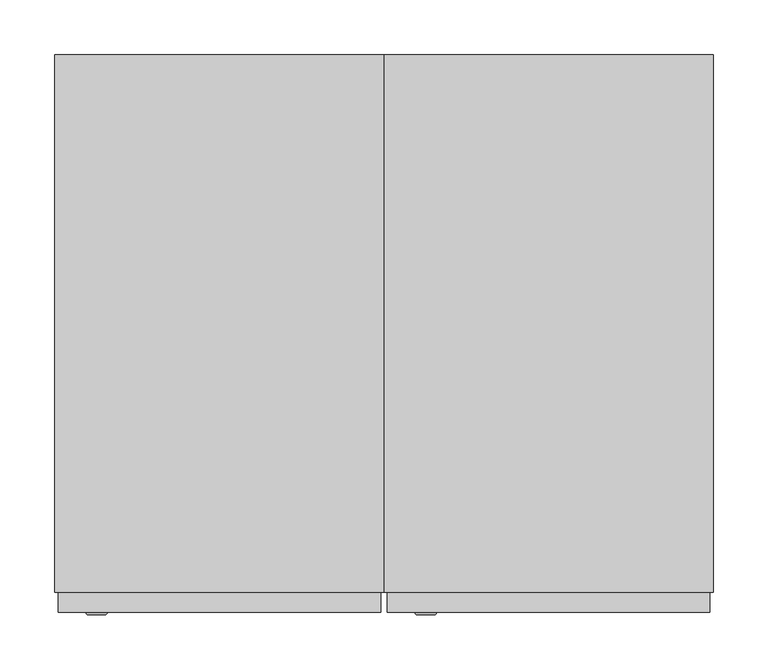
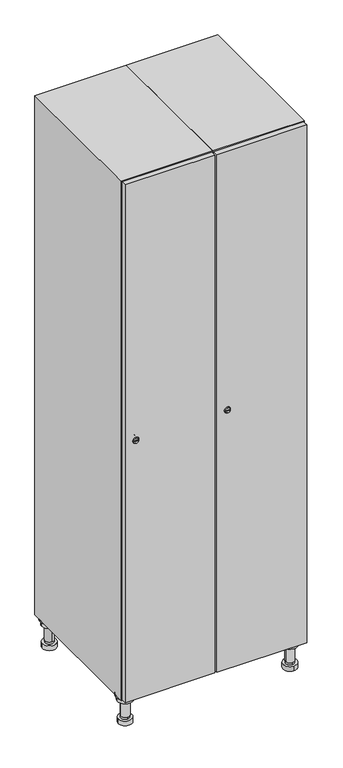
"""IFC4 building model written with IfcOpenShell, lengths in millimetres: furniture geometry."""

from ifc_helpers import new_model, si_unit, point, frame, frame_2d, origin, place, context, project, spatial, polyline, circle_curve, trimmed, segment, composite_curve, outline, extrude, faceted_brep, source, transform, mapped, element, save
from ifc_brep_helpers import plane_surface, cylinder_surface, revolved_surface, advanced_brep


def furniture_9fd17e18(model_context):
    return source(origin(), model_context, "Body", "SolidModel", [
        advanced_brep(
        [(370.0, -201.0, 22.0), (370.0, -201.5, 16.0), (370.0, -228.5, 16.0), (370.0, -229.0, 22.0), (356.0, -215.0, 22.0), (384.0, -215.0, 22.0), (370.0, -192.5, 16.0), (370.0, -237.5, 16.0), (370.0, -192.5, 0.0), (370.0, -237.5, 0.0), (384.0, -215.0, 78.0), (356.0, -215.0, 78.0), (395.0, -215.0, 78.0), (345.0, -215.0, 78.0), (400.0, -215.0, 94.0), (340.0, -215.0, 94.0), (345.0, -215.0, 94.0), (395.0, -215.0, 94.0), (400.0, -215.0, 100.0), (340.0, -215.0, 100.0)],
        [
            (0, 1),
            (1, 2, circle_curve(frame((370.0, -215.0, 16.0), z_axis=(0.0, 0.0, 1.0), x_axis=(0.0, -1.0, 0.0)), 13.5)),
            (2, 3),
            (3, 4, circle_curve(frame((370.0, -215.0, 22.0), z_axis=(0.0, 0.0, -1.0), x_axis=(0.0, -1.0, 0.0)), 14.0)),
            (4, 0, circle_curve(frame((370.0, -215.0, 22.0), z_axis=(0.0, 0.0, -1.0), x_axis=(0.0, -1.0, 0.0)), 14.0)),
            (0, 5, circle_curve(frame((370.0, -215.0, 22.0), z_axis=(0.0, 0.0, -1.0), x_axis=(0.0, 1.0, 0.0)), 14.0)),
            (5, 3, circle_curve(frame((370.0, -215.0, 22.0), z_axis=(0.0, 0.0, -1.0), x_axis=(0.0, 1.0, 0.0)), 14.0)),
            (2, 1, circle_curve(frame((370.0, -215.0, 16.0), z_axis=(0.0, 0.0, 1.0), x_axis=(0.0, 1.0, 0.0)), 13.5)),
            (6, 7, circle_curve(frame((370.0, -215.0, 16.0), z_axis=(0.0, 0.0, 1.0), x_axis=(0.0, -1.0, 0.0)), 22.5)),
            (7, 6, circle_curve(frame((370.0, -215.0, 16.0), z_axis=(0.0, 0.0, 1.0), x_axis=(0.0, -1.0, 0.0)), 22.5)),
            (8, 9, circle_curve(frame((370.0, -215.0, 0.0), z_axis=(0.0, 0.0, -1.0), x_axis=(0.0, -1.0, 0.0)), 22.5)),
            (9, 8, circle_curve(frame((370.0, -215.0, 0.0), z_axis=(0.0, 0.0, -1.0), x_axis=(0.0, -1.0, 0.0)), 22.5)),
            (6, 8),
            (9, 7),
            (5, 10),
            (10, 11, circle_curve(frame((370.0, -215.0, 78.0), z_axis=(0.0, 0.0, -1.0), x_axis=(-1.0, 0.0, 0.0)), 14.0)),
            (11, 4),
            (11, 10, circle_curve(frame((370.0, -215.0, 78.0), z_axis=(0.0, 0.0, -1.0), x_axis=(-1.0, 0.0, 0.0)), 14.0)),
            (12, 13, circle_curve(frame((370.0, -215.0, 78.0), z_axis=(0.0, 0.0, -1.0), x_axis=(-1.0, 0.0, 0.0)), 25.0)),
            (13, 12, circle_curve(frame((370.0, -215.0, 78.0), z_axis=(0.0, 0.0, -1.0), x_axis=(-1.0, 0.0, 0.0)), 25.0)),
            (14, 15, circle_curve(frame((370.0, -215.0, 94.0), z_axis=(0.0, 0.0, -1.0), x_axis=(-1.0, 0.0, 0.0)), 30.0)),
            (15, 14, circle_curve(frame((370.0, -215.0, 94.0), z_axis=(0.0, 0.0, -1.0), x_axis=(-1.0, 0.0, 0.0)), 30.0)),
            (16, 17, circle_curve(frame((370.0, -215.0, 94.0), z_axis=(0.0, 0.0, 1.0), x_axis=(-1.0, 0.0, 0.0)), 25.0)),
            (17, 16, circle_curve(frame((370.0, -215.0, 94.0), z_axis=(0.0, 0.0, 1.0), x_axis=(-1.0, 0.0, 0.0)), 25.0)),
            (18, 19, circle_curve(frame((370.0, -215.0, 100.0), z_axis=(0.0, 0.0, 1.0), x_axis=(-1.0, 0.0, 0.0)), 30.0)),
            (19, 18, circle_curve(frame((370.0, -215.0, 100.0), z_axis=(0.0, 0.0, 1.0), x_axis=(-1.0, 0.0, 0.0)), 30.0)),
            (14, 18),
            (19, 15),
            (12, 17),
            (16, 13),
        ],
        [
            revolved_surface(polyline([(370.0, -201.5, 16.0), (370.0, -201.0, 22.0)]), (370.0, -215.0, -146.0), (0.0, 0.0, 1.0)),
            plane_surface(frame((370.0, 0.0, 16.0), z_axis=(0.0, 0.0, 1.0), x_axis=(0.0, -1.0, 0.0))),
            plane_surface(frame((370.0, 0.0, 0.0), z_axis=(0.0, 0.0, -1.0), x_axis=(0.0, -1.0, 0.0))),
            cylinder_surface(frame((370.0, -215.0, 16.0), z_axis=(0.0, 0.0, 1.0), x_axis=(0.0, -1.0, 0.0)), 22.5),
            cylinder_surface(frame((370.0, -215.0, 22.0), z_axis=(0.0, 0.0, -1.0), x_axis=(-1.0, 0.0, 0.0)), 14.0),
            plane_surface(frame((370.0, 0.0, 78.0), z_axis=(0.0, 0.0, -1.0), x_axis=(0.0, -1.0, 0.0))),
            plane_surface(frame((370.0, 0.0, 94.0), z_axis=(0.0, 0.0, -1.0), x_axis=(0.0, -1.0, 0.0))),
            plane_surface(frame((370.0, 0.0, 100.0), z_axis=(0.0, 0.0, 1.0), x_axis=(0.0, -1.0, 0.0))),
            cylinder_surface(frame((370.0, -215.0, 94.0), z_axis=(0.0, 0.0, -1.0), x_axis=(-1.0, 0.0, 0.0)), 30.0),
            cylinder_surface(frame((370.0, -215.0, 78.0), z_axis=(0.0, 0.0, -1.0), x_axis=(-1.0, 0.0, 0.0)), 25.0),
        ],
        [
            (0, [[1, 2, 3, 4, 5]]),
            (0, [[-1, 6, 7, -3, 8]]),
            (1, [[9, 10], [-2, -8]]),
            (2, [[11, 12]]),
            (3, [[-9, 13, -12, 14]]),
            (3, [[-10, -14, -11, -13]]),
            (4, [[15, 16, 17, -4, -7]]),
            (4, [[-15, -6, -5, -17, 18]]),
            (5, [[19, 20], [-16, -18]]),
            (6, [[21, 22], [23, 24]]),
            (7, [[25, 26]]),
            (8, [[-21, 27, -26, 28]]),
            (8, [[-22, -28, -25, -27]]),
            (9, [[-19, 29, -23, 30]]),
            (9, [[-20, -30, -24, -29]]),
        ],
    ),
        advanced_brep(
        [(-170.0, -201.0, 22.0), (-170.0, -201.5, 16.0), (-170.0, -228.5, 16.0), (-170.0, -229.0, 22.0), (-184.0, -215.0, 22.0), (-156.0, -215.0, 22.0), (-147.5, -215.0, 0.0), (-192.5, -215.0, 0.0), (-147.5, -215.0, 16.0), (-192.5, -215.0, 16.0), (-156.0, -215.0, 78.0), (-184.0, -215.0, 78.0), (-145.0, -215.0, 78.0), (-195.0, -215.0, 78.0), (-140.0, -215.0, 94.0), (-200.0, -215.0, 94.0), (-195.0, -215.0, 94.0), (-145.0, -215.0, 94.0), (-140.0, -215.0, 100.0), (-200.0, -215.0, 100.0)],
        [
            (0, 1),
            (1, 2, circle_curve(frame((-170.0, -215.0, 16.0), z_axis=(0.0, 0.0, 1.0), x_axis=(0.0, -1.0, 0.0)), 13.5)),
            (2, 3),
            (3, 4, circle_curve(frame((-170.0, -215.0, 22.0), z_axis=(0.0, 0.0, -1.0), x_axis=(0.0, -1.0, 0.0)), 14.0)),
            (4, 0, circle_curve(frame((-170.0, -215.0, 22.0), z_axis=(0.0, 0.0, -1.0), x_axis=(0.0, -1.0, 0.0)), 14.0)),
            (0, 5, circle_curve(frame((-170.0, -215.0, 22.0), z_axis=(0.0, 0.0, -1.0), x_axis=(0.0, 1.0, 0.0)), 14.0)),
            (5, 3, circle_curve(frame((-170.0, -215.0, 22.0), z_axis=(0.0, 0.0, -1.0), x_axis=(0.0, 1.0, 0.0)), 14.0)),
            (2, 1, circle_curve(frame((-170.0, -215.0, 16.0), z_axis=(0.0, 0.0, 1.0), x_axis=(0.0, 1.0, 0.0)), 13.5)),
            (6, 7, circle_curve(frame((-170.0, -215.0, 0.0), z_axis=(0.0, 0.0, -1.0), x_axis=(-1.0, 0.0, 0.0)), 22.5)),
            (7, 6, circle_curve(frame((-170.0, -215.0, 0.0), z_axis=(0.0, 0.0, -1.0), x_axis=(-1.0, 0.0, 0.0)), 22.5)),
            (8, 9, circle_curve(frame((-170.0, -215.0, 16.0), z_axis=(0.0, 0.0, 1.0), x_axis=(-1.0, 0.0, 0.0)), 22.5)),
            (9, 8, circle_curve(frame((-170.0, -215.0, 16.0), z_axis=(0.0, 0.0, 1.0), x_axis=(-1.0, 0.0, 0.0)), 22.5)),
            (6, 8),
            (9, 7),
            (5, 10),
            (10, 11, circle_curve(frame((-170.0, -215.0, 78.0), z_axis=(0.0, 0.0, -1.0), x_axis=(-1.0, 0.0, 0.0)), 14.0)),
            (11, 4),
            (11, 10, circle_curve(frame((-170.0, -215.0, 78.0), z_axis=(0.0, 0.0, -1.0), x_axis=(-1.0, 0.0, 0.0)), 14.0)),
            (12, 13, circle_curve(frame((-170.0, -215.0, 78.0), z_axis=(0.0, 0.0, -1.0), x_axis=(-1.0, 0.0, 0.0)), 25.0)),
            (13, 12, circle_curve(frame((-170.0, -215.0, 78.0), z_axis=(0.0, 0.0, -1.0), x_axis=(-1.0, 0.0, 0.0)), 25.0)),
            (14, 15, circle_curve(frame((-170.0, -215.0, 94.0), z_axis=(0.0, 0.0, -1.0), x_axis=(-1.0, 0.0, 0.0)), 30.0)),
            (15, 14, circle_curve(frame((-170.0, -215.0, 94.0), z_axis=(0.0, 0.0, -1.0), x_axis=(-1.0, 0.0, 0.0)), 30.0)),
            (16, 17, circle_curve(frame((-170.0, -215.0, 94.0), z_axis=(0.0, 0.0, 1.0), x_axis=(-1.0, 0.0, 0.0)), 25.0)),
            (17, 16, circle_curve(frame((-170.0, -215.0, 94.0), z_axis=(0.0, 0.0, 1.0), x_axis=(-1.0, 0.0, 0.0)), 25.0)),
            (18, 19, circle_curve(frame((-170.0, -215.0, 100.0), z_axis=(0.0, 0.0, 1.0), x_axis=(-1.0, 0.0, 0.0)), 30.0)),
            (19, 18, circle_curve(frame((-170.0, -215.0, 100.0), z_axis=(0.0, 0.0, 1.0), x_axis=(-1.0, 0.0, 0.0)), 30.0)),
            (14, 18),
            (19, 15),
            (12, 17),
            (16, 13),
        ],
        [
            revolved_surface(polyline([(-170.0, -201.5, 16.0), (-170.0, -201.0, 22.0)]), (-170.0, -215.0, -146.0), (0.0, 0.0, 1.0)),
            plane_surface(frame((-170.0, 0.0, 0.0), z_axis=(0.0, 0.0, -1.0), x_axis=(0.0, -1.0, 0.0))),
            plane_surface(frame((-170.0, 0.0, 16.0), z_axis=(0.0, 0.0, 1.0), x_axis=(0.0, -1.0, 0.0))),
            cylinder_surface(frame((-170.0, -215.0, 0.0), z_axis=(0.0, 0.0, -1.0), x_axis=(-1.0, 0.0, 0.0)), 22.5),
            cylinder_surface(frame((-170.0, -215.0, 22.0), z_axis=(0.0, 0.0, -1.0), x_axis=(-1.0, 0.0, 0.0)), 14.0),
            plane_surface(frame((-170.0, 0.0, 78.0), z_axis=(0.0, 0.0, -1.0), x_axis=(0.0, -1.0, 0.0))),
            plane_surface(frame((-170.0, 0.0, 94.0), z_axis=(0.0, 0.0, -1.0), x_axis=(0.0, -1.0, 0.0))),
            plane_surface(frame((-170.0, 0.0, 100.0), z_axis=(0.0, 0.0, 1.0), x_axis=(0.0, -1.0, 0.0))),
            cylinder_surface(frame((-170.0, -215.0, 94.0), z_axis=(0.0, 0.0, -1.0), x_axis=(-1.0, 0.0, 0.0)), 30.0),
            cylinder_surface(frame((-170.0, -215.0, 78.0), z_axis=(0.0, 0.0, -1.0), x_axis=(-1.0, 0.0, 0.0)), 25.0),
        ],
        [
            (0, [[1, 2, 3, 4, 5]]),
            (0, [[-1, 6, 7, -3, 8]]),
            (1, [[9, 10]]),
            (2, [[11, 12], [-2, -8]]),
            (3, [[-9, 13, -12, 14]]),
            (3, [[-10, -14, -11, -13]]),
            (4, [[15, 16, 17, -4, -7]]),
            (4, [[-15, -6, -5, -17, 18]]),
            (5, [[19, 20], [-16, -18]]),
            (6, [[21, 22], [23, 24]]),
            (7, [[25, 26]]),
            (8, [[-21, 27, -26, 28]]),
            (8, [[-22, -28, -25, -27]]),
            (9, [[-19, 29, -23, 30]]),
            (9, [[-20, -30, -24, -29]]),
        ],
    ),
        advanced_brep(
        [(383.5, 215.0, 16.0), (384.0, 215.0, 22.0), (356.0, 215.0, 22.0), (356.5, 215.0, 16.0), (392.5, 215.0, 0.0), (347.5, 215.0, 0.0), (392.5, 215.0, 16.0), (347.5, 215.0, 16.0), (384.0, 215.0, 78.0), (356.0, 215.0, 78.0), (395.0, 215.0, 78.0), (345.0, 215.0, 78.0), (400.0, 215.0, 94.0), (340.0, 215.0, 94.0), (345.0, 215.0, 94.0), (395.0, 215.0, 94.0), (400.0, 215.0, 100.0), (340.0, 215.0, 100.0)],
        [
            (0, 1),
            (1, 2, circle_curve(frame((370.0, 215.0, 22.0), z_axis=(0.0, 0.0, -1.0), x_axis=(-1.0, 0.0, 0.0)), 14.0)),
            (2, 3),
            (3, 0, circle_curve(frame((370.0, 215.0, 16.0), z_axis=(0.0, 0.0, 1.0), x_axis=(-1.0, 0.0, 0.0)), 13.5)),
            (0, 3, circle_curve(frame((370.0, 215.0, 16.0), z_axis=(0.0, 0.0, 1.0), x_axis=(1.0, 0.0, 0.0)), 13.5)),
            (2, 1, circle_curve(frame((370.0, 215.0, 22.0), z_axis=(0.0, 0.0, -1.0), x_axis=(1.0, 0.0, 0.0)), 14.0)),
            (4, 5, circle_curve(frame((370.0, 215.0, 0.0), z_axis=(0.0, 0.0, -1.0), x_axis=(-1.0, 0.0, 0.0)), 22.5)),
            (5, 4, circle_curve(frame((370.0, 215.0, 0.0), z_axis=(0.0, 0.0, -1.0), x_axis=(-1.0, 0.0, 0.0)), 22.5)),
            (6, 7, circle_curve(frame((370.0, 215.0, 16.0), z_axis=(0.0, 0.0, 1.0), x_axis=(-1.0, 0.0, 0.0)), 22.5)),
            (7, 6, circle_curve(frame((370.0, 215.0, 16.0), z_axis=(0.0, 0.0, 1.0), x_axis=(-1.0, 0.0, 0.0)), 22.5)),
            (4, 6),
            (7, 5),
            (1, 8),
            (8, 9, circle_curve(frame((370.0, 215.0, 78.0), z_axis=(0.0, 0.0, -1.0), x_axis=(-1.0, 0.0, 0.0)), 14.0)),
            (9, 2),
            (9, 8, circle_curve(frame((370.0, 215.0, 78.0), z_axis=(0.0, 0.0, -1.0), x_axis=(-1.0, 0.0, 0.0)), 14.0)),
            (10, 11, circle_curve(frame((370.0, 215.0, 78.0), z_axis=(0.0, 0.0, -1.0), x_axis=(-1.0, 0.0, 0.0)), 25.0)),
            (11, 10, circle_curve(frame((370.0, 215.0, 78.0), z_axis=(0.0, 0.0, -1.0), x_axis=(-1.0, 0.0, 0.0)), 25.0)),
            (12, 13, circle_curve(frame((370.0, 215.0, 94.0), z_axis=(0.0, 0.0, -1.0), x_axis=(-1.0, 0.0, 0.0)), 30.0)),
            (13, 12, circle_curve(frame((370.0, 215.0, 94.0), z_axis=(0.0, 0.0, -1.0), x_axis=(-1.0, 0.0, 0.0)), 30.0)),
            (14, 15, circle_curve(frame((370.0, 215.0, 94.0), z_axis=(0.0, 0.0, 1.0), x_axis=(-1.0, 0.0, 0.0)), 25.0)),
            (15, 14, circle_curve(frame((370.0, 215.0, 94.0), z_axis=(0.0, 0.0, 1.0), x_axis=(-1.0, 0.0, 0.0)), 25.0)),
            (16, 17, circle_curve(frame((370.0, 215.0, 100.0), z_axis=(0.0, 0.0, 1.0), x_axis=(-1.0, 0.0, 0.0)), 30.0)),
            (17, 16, circle_curve(frame((370.0, 215.0, 100.0), z_axis=(0.0, 0.0, 1.0), x_axis=(-1.0, 0.0, 0.0)), 30.0)),
            (12, 16),
            (17, 13),
            (10, 15),
            (14, 11),
        ],
        [
            revolved_surface(polyline([(383.5, 215.0, 16.0), (384.0, 215.0, 22.0)]), (370.0, 215.0, -146.0), (0.0, 0.0, 1.0)),
            plane_surface(frame((370.0, 0.0, 0.0), z_axis=(0.0, 0.0, -1.0), x_axis=(0.0, -1.0, 0.0))),
            plane_surface(frame((370.0, 0.0, 16.0), z_axis=(0.0, 0.0, 1.0), x_axis=(0.0, -1.0, 0.0))),
            cylinder_surface(frame((370.0, 215.0, 0.0), z_axis=(0.0, 0.0, -1.0), x_axis=(-1.0, 0.0, 0.0)), 22.5),
            cylinder_surface(frame((370.0, 215.0, 22.0), z_axis=(0.0, 0.0, -1.0), x_axis=(-1.0, 0.0, 0.0)), 14.0),
            plane_surface(frame((370.0, 0.0, 78.0), z_axis=(0.0, 0.0, -1.0), x_axis=(0.0, -1.0, 0.0))),
            plane_surface(frame((370.0, 0.0, 94.0), z_axis=(0.0, 0.0, -1.0), x_axis=(0.0, -1.0, 0.0))),
            plane_surface(frame((370.0, 0.0, 100.0), z_axis=(0.0, 0.0, 1.0), x_axis=(0.0, -1.0, 0.0))),
            cylinder_surface(frame((370.0, 215.0, 94.0), z_axis=(0.0, 0.0, -1.0), x_axis=(-1.0, 0.0, 0.0)), 30.0),
            cylinder_surface(frame((370.0, 215.0, 78.0), z_axis=(0.0, 0.0, -1.0), x_axis=(-1.0, 0.0, 0.0)), 25.0),
        ],
        [
            (0, [[1, 2, 3, 4]]),
            (0, [[-1, 5, -3, 6]]),
            (1, [[7, 8]]),
            (2, [[9, 10], [-4, -5]]),
            (3, [[-7, 11, -10, 12]]),
            (3, [[-8, -12, -9, -11]]),
            (4, [[13, 14, 15, -2]]),
            (4, [[-13, -6, -15, 16]]),
            (5, [[17, 18], [-14, -16]]),
            (6, [[19, 20], [21, 22]]),
            (7, [[23, 24]]),
            (8, [[-19, 25, -24, 26]]),
            (8, [[-20, -26, -23, -25]]),
            (9, [[-17, 27, -21, 28]]),
            (9, [[-18, -28, -22, -27]]),
        ],
    ),
        advanced_brep(
        [(-156.5, 215.0, 16.0), (-156.0, 215.0, 22.0), (-170.0, 201.0, 22.0), (-184.0, 215.0, 22.0), (-183.5, 215.0, 16.0), (-170.0, 229.0, 22.0), (-147.5, 215.0, 0.0), (-192.5, 215.0, 0.0), (-147.5, 215.0, 16.0), (-192.5, 215.0, 16.0), (-170.0, 229.0, 78.0), (-170.0, 201.0, 78.0), (-145.0, 215.0, 78.0), (-195.0, 215.0, 78.0), (-140.0, 215.0, 94.0), (-200.0, 215.0, 94.0), (-195.0, 215.0, 94.0), (-145.0, 215.0, 94.0), (-140.0, 215.0, 100.0), (-200.0, 215.0, 100.0)],
        [
            (0, 1),
            (1, 2, circle_curve(frame((-170.0, 215.0, 22.0), z_axis=(0.0, 0.0, -1.0), x_axis=(-1.0, 0.0, 0.0)), 14.0)),
            (2, 3, circle_curve(frame((-170.0, 215.0, 22.0), z_axis=(0.0, 0.0, -1.0), x_axis=(-1.0, 0.0, 0.0)), 14.0)),
            (3, 4),
            (4, 0, circle_curve(frame((-170.0, 215.0, 16.0), z_axis=(0.0, 0.0, 1.0), x_axis=(-1.0, 0.0, 0.0)), 13.5)),
            (0, 4, circle_curve(frame((-170.0, 215.0, 16.0), z_axis=(0.0, 0.0, 1.0), x_axis=(1.0, 0.0, 0.0)), 13.5)),
            (3, 5, circle_curve(frame((-170.0, 215.0, 22.0), z_axis=(0.0, 0.0, -1.0), x_axis=(1.0, 0.0, 0.0)), 14.0)),
            (5, 1, circle_curve(frame((-170.0, 215.0, 22.0), z_axis=(0.0, 0.0, -1.0), x_axis=(1.0, 0.0, 0.0)), 14.0)),
            (6, 7, circle_curve(frame((-170.0, 215.0, 0.0), z_axis=(0.0, 0.0, -1.0), x_axis=(-1.0, 0.0, 0.0)), 22.5)),
            (7, 6, circle_curve(frame((-170.0, 215.0, 0.0), z_axis=(0.0, 0.0, -1.0), x_axis=(-1.0, 0.0, 0.0)), 22.5)),
            (8, 9, circle_curve(frame((-170.0, 215.0, 16.0), z_axis=(0.0, 0.0, 1.0), x_axis=(-1.0, 0.0, 0.0)), 22.5)),
            (9, 8, circle_curve(frame((-170.0, 215.0, 16.0), z_axis=(0.0, 0.0, 1.0), x_axis=(-1.0, 0.0, 0.0)), 22.5)),
            (6, 8),
            (9, 7),
            (10, 5),
            (2, 11),
            (11, 10, circle_curve(frame((-170.0, 215.0, 78.0), z_axis=(0.0, 0.0, -1.0), x_axis=(0.0, -1.0, 0.0)), 14.0)),
            (10, 11, circle_curve(frame((-170.0, 215.0, 78.0), z_axis=(0.0, 0.0, -1.0), x_axis=(0.0, -1.0, 0.0)), 14.0)),
            (12, 13, circle_curve(frame((-170.0, 215.0, 78.0), z_axis=(0.0, 0.0, -1.0), x_axis=(-1.0, 0.0, 0.0)), 25.0)),
            (13, 12, circle_curve(frame((-170.0, 215.0, 78.0), z_axis=(0.0, 0.0, -1.0), x_axis=(-1.0, 0.0, 0.0)), 25.0)),
            (14, 15, circle_curve(frame((-170.0, 215.0, 94.0), z_axis=(0.0, 0.0, -1.0), x_axis=(-1.0, 0.0, 0.0)), 30.0)),
            (15, 14, circle_curve(frame((-170.0, 215.0, 94.0), z_axis=(0.0, 0.0, -1.0), x_axis=(-1.0, 0.0, 0.0)), 30.0)),
            (16, 17, circle_curve(frame((-170.0, 215.0, 94.0), z_axis=(0.0, 0.0, 1.0), x_axis=(-1.0, 0.0, 0.0)), 25.0)),
            (17, 16, circle_curve(frame((-170.0, 215.0, 94.0), z_axis=(0.0, 0.0, 1.0), x_axis=(-1.0, 0.0, 0.0)), 25.0)),
            (18, 19, circle_curve(frame((-170.0, 215.0, 100.0), z_axis=(0.0, 0.0, 1.0), x_axis=(-1.0, 0.0, 0.0)), 30.0)),
            (19, 18, circle_curve(frame((-170.0, 215.0, 100.0), z_axis=(0.0, 0.0, 1.0), x_axis=(-1.0, 0.0, 0.0)), 30.0)),
            (14, 18),
            (19, 15),
            (12, 17),
            (16, 13),
        ],
        [
            revolved_surface(polyline([(-156.5, 215.0, 16.0), (-156.0, 215.0, 22.0)]), (-170.0, 215.0, -146.0), (0.0, 0.0, 1.0)),
            plane_surface(frame((-170.0, 0.0, 0.0), z_axis=(0.0, 0.0, -1.0), x_axis=(0.0, -1.0, 0.0))),
            plane_surface(frame((-170.0, 0.0, 16.0), z_axis=(0.0, 0.0, 1.0), x_axis=(0.0, -1.0, 0.0))),
            cylinder_surface(frame((-170.0, 215.0, 0.0), z_axis=(0.0, 0.0, -1.0), x_axis=(-1.0, 0.0, 0.0)), 22.5),
            cylinder_surface(frame((-170.0, 215.0, 78.0), z_axis=(0.0, 0.0, 1.0), x_axis=(0.0, -1.0, 0.0)), 14.0),
            plane_surface(frame((-170.0, 0.0, 78.0), z_axis=(0.0, 0.0, -1.0), x_axis=(0.0, -1.0, 0.0))),
            plane_surface(frame((-170.0, 0.0, 94.0), z_axis=(0.0, 0.0, -1.0), x_axis=(0.0, -1.0, 0.0))),
            plane_surface(frame((-170.0, 0.0, 100.0), z_axis=(0.0, 0.0, 1.0), x_axis=(0.0, -1.0, 0.0))),
            cylinder_surface(frame((-170.0, 215.0, 94.0), z_axis=(0.0, 0.0, -1.0), x_axis=(-1.0, 0.0, 0.0)), 30.0),
            cylinder_surface(frame((-170.0, 215.0, 78.0), z_axis=(0.0, 0.0, -1.0), x_axis=(-1.0, 0.0, 0.0)), 25.0),
        ],
        [
            (0, [[1, 2, 3, 4, 5]]),
            (0, [[-1, 6, -4, 7, 8]]),
            (1, [[9, 10]]),
            (2, [[11, 12], [-5, -6]]),
            (3, [[-9, 13, -12, 14]]),
            (3, [[-10, -14, -11, -13]]),
            (4, [[15, -7, -3, 16, 17]]),
            (4, [[-15, 18, -16, -2, -8]]),
            (5, [[19, 20], [-17, -18]]),
            (6, [[21, 22], [23, 24]]),
            (7, [[25, 26]]),
            (8, [[-21, 27, -26, 28]]),
            (8, [[-22, -28, -25, -27]]),
            (9, [[-19, 29, -23, 30]]),
            (9, [[-20, -30, -24, -29]]),
        ],
    ),
        extrude(outline(composite_curve([segment(trimmed(circle_curve(frame_2d((1000.0, 111.2010534)), 7.0), [point((1007.0, 111.2010534))], [point((993.0, 111.2010534))], False, "CARTESIAN"), True, "CONTINUOUS"), segment(polyline([(993.0, 111.2010534), (993.0, 139.2010534)]), True, "CONTINUOUS"), segment(trimmed(circle_curve(frame_2d((1000.0, 139.2010534)), 7.0), [point((993.0, 139.2010534))], [point((1007.0, 139.2010534))], False, "CARTESIAN"), True, "CONTINUOUS"), segment(polyline([(1007.0, 139.2010534), (1007.0, 111.2010534)]), True, "CONTINUOUS")], self_intersect=False)), frame((0.0, -245.0, 0.0), z_axis=(0.0, 1.0, 0.0), x_axis=(0.0, 0.0, 1.0)), (0.0, 0.0, 1.0), 2.0),
        advanced_brep(
        [(146.5, -265.2, 1000.0), (129.5, -265.2, 1000.0), (133.0, -265.2, 998.75), (133.0, -265.2, 1001.25), (143.0, -265.2, 1001.25), (143.0, -265.2, 998.75), (148.5, -263.0, 1000.0), (127.5, -263.0, 1000.0), (133.0, -263.0, 1001.25), (133.0, -263.0, 998.75), (143.0, -263.0, 998.75), (143.0, -263.0, 1001.25)],
        [
            (0, 1, circle_curve(frame((138.0, -265.2, 1000.0), z_axis=(0.0, -1.0, 0.0), x_axis=(1.0, 0.0, 0.0)), 8.5)),
            (1, 0, circle_curve(frame((138.0, -265.2, 1000.0), z_axis=(0.0, -1.0, 0.0), x_axis=(-1.0, 0.0, 0.0)), 8.5)),
            (2, 3),
            (3, 4),
            (4, 5),
            (5, 2),
            (6, 7, circle_curve(frame((138.0, -263.0, 1000.0), z_axis=(0.0, 1.0, 0.0), x_axis=(-1.0, 0.0, 0.0)), 10.5)),
            (7, 6, circle_curve(frame((138.0, -263.0, 1000.0), z_axis=(0.0, 1.0, 0.0), x_axis=(1.0, 0.0, 0.0)), 10.5)),
            (8, 9),
            (9, 10),
            (10, 11),
            (11, 8),
            (0, 6),
            (7, 1),
            (8, 3),
            (2, 9),
            (11, 4),
            (10, 5),
        ],
        [
            plane_surface(frame((138.0, -265.2, 1000.0), z_axis=(0.0, -1.0, 0.0), x_axis=(0.0, 0.0, 1.0))),
            plane_surface(frame((138.0, -263.0, 1000.0), z_axis=(0.0, 1.0, 0.0), x_axis=(0.0, 0.0, 1.0))),
            revolved_surface(polyline([(146.5, -265.2, 1000.0), (148.5, -263.0, 1000.0)]), (138.0, -274.55, 1000.0), (0.0, 1.0, 0.0)),
            revolved_surface(polyline([(129.5, -265.2, 1000.0), (127.5, -263.0, 1000.0)]), (138.0, -274.55, 1000.0), (0.0, 1.0, 0.0)),
            plane_surface(frame((133.0, -263.0, 998.75), z_axis=(1.0, 0.0, 0.0), x_axis=(0.0, -1.0, 0.0))),
            plane_surface(frame((133.0, -263.0, 1001.25), z_axis=(0.0, 0.0, -1.0), x_axis=(0.0, -1.0, 0.0))),
            plane_surface(frame((143.0, -263.0, 1001.25), z_axis=(-1.0, 0.0, 0.0), x_axis=(0.0, -1.0, 0.0))),
            plane_surface(frame((143.0, -263.0, 998.75), z_axis=(0.0, 0.0, 1.0), x_axis=(0.0, -1.0, 0.0))),
        ],
        [
            (0, [[1, 2], [3, 4, 5, 6]]),
            (1, [[7, 8], [9, 10, 11, 12]]),
            (2, [[-1, 13, -8, 14]]),
            (3, [[-2, -14, -7, -13]]),
            (4, [[15, -3, 16, -9]]),
            (5, [[-15, -12, 17, -4]]),
            (6, [[-17, -11, 18, -5]]),
            (7, [[-16, -6, -18, -10]]),
        ],
    ),
        extrude(outline(polyline([(397.0, -245.0), (397.0, -263.0), (103.0, -263.0), (103.0, -245.0), (397.0, -245.0)])), frame((0.0, 0.0, 103.0), z_axis=(0.0, 0.0, 1.0), x_axis=(1.0, 0.0, 0.0)), (0.0, 0.0, 1.0), 1794.0),
        faceted_brep([(400.0, -245.0, 100.0), (400.0, -245.0, 1900.0), (100.0, -245.0, 1900.0), (100.0, -245.0, 100.0), (382.0, -245.0, 1882.0), (382.0, -245.0, 118.0), (118.0, -245.0, 118.0), (118.0, -245.0, 1882.0), (400.0, 245.0, 100.0), (100.0, 245.0, 100.0), (400.0, 245.0, 1900.0), (100.0, 245.0, 1900.0), (382.0, 227.0, 1882.0), (382.0, 227.0, 118.0), (100.0, 245.0, 1882.0), (118.0, 227.0, 1882.0), (118.0, 227.0, 118.0)], [[[0, 1, 2, 3], [4, 5, 6, 7]], [[8, 0, 3, 9]], [[1, 0, 8, 10]], [[1, 10, 11, 2]], [[4, 12, 13, 5]], [[9, 3, 2, 11, 14]], [[10, 8, 9, 14, 11]], [[12, 15, 16, 13]], [[15, 7, 6, 16]], [[4, 7, 15, 12]], [[6, 5, 13, 16]]]),
        extrude(outline(composite_curve([segment(trimmed(circle_curve(frame_2d((1000.0, -188.7989466)), 7.0), [point((1007.0, -188.7989466))], [point((993.0, -188.7989466))], False, "CARTESIAN"), True, "CONTINUOUS"), segment(polyline([(993.0, -188.7989466), (993.0, -160.7989466)]), True, "CONTINUOUS"), segment(trimmed(circle_curve(frame_2d((1000.0, -160.7989466)), 7.0), [point((993.0, -160.7989466))], [point((1007.0, -160.7989466))], False, "CARTESIAN"), True, "CONTINUOUS"), segment(polyline([(1007.0, -160.7989466), (1007.0, -188.7989466)]), True, "CONTINUOUS")], self_intersect=False)), frame((0.0, -245.0, 0.0), z_axis=(0.0, 1.0, 0.0), x_axis=(0.0, 0.0, 1.0)), (0.0, 0.0, 1.0), 2.0),
        advanced_brep(
        [(-153.5, -265.2, 1000.0), (-170.5, -265.2, 1000.0), (-167.0, -265.2, 998.75), (-167.0, -265.2, 1001.25), (-157.0, -265.2, 1001.25), (-157.0, -265.2, 998.75), (-151.5, -263.0, 1000.0), (-172.5, -263.0, 1000.0), (-167.0, -263.0, 1001.25), (-167.0, -263.0, 998.75), (-157.0, -263.0, 998.75), (-157.0, -263.0, 1001.25)],
        [
            (0, 1, circle_curve(frame((-162.0, -265.2, 1000.0), z_axis=(0.0, -1.0, 0.0), x_axis=(1.0, 0.0, 0.0)), 8.5)),
            (1, 0, circle_curve(frame((-162.0, -265.2, 1000.0), z_axis=(0.0, -1.0, 0.0), x_axis=(-1.0, 0.0, 0.0)), 8.5)),
            (2, 3),
            (3, 4),
            (4, 5),
            (5, 2),
            (6, 7, circle_curve(frame((-162.0, -263.0, 1000.0), z_axis=(0.0, 1.0, 0.0), x_axis=(-1.0, 0.0, 0.0)), 10.5)),
            (7, 6, circle_curve(frame((-162.0, -263.0, 1000.0), z_axis=(0.0, 1.0, 0.0), x_axis=(1.0, 0.0, 0.0)), 10.5)),
            (8, 9),
            (9, 10),
            (10, 11),
            (11, 8),
            (0, 6),
            (7, 1),
            (8, 3),
            (2, 9),
            (11, 4),
            (10, 5),
        ],
        [
            plane_surface(frame((-162.0, -265.2, 1000.0), z_axis=(0.0, -1.0, 0.0), x_axis=(0.0, 0.0, 1.0))),
            plane_surface(frame((-162.0, -263.0, 1000.0), z_axis=(0.0, 1.0, 0.0), x_axis=(0.0, 0.0, 1.0))),
            revolved_surface(polyline([(-153.5, -265.2, 1000.0), (-151.5, -263.0, 1000.0)]), (-162.0, -274.55, 1000.0), (0.0, 1.0, 0.0)),
            revolved_surface(polyline([(-170.5, -265.2, 1000.0), (-172.5, -263.0, 1000.0)]), (-162.0, -274.55, 1000.0), (0.0, 1.0, 0.0)),
            plane_surface(frame((-167.0, -263.0, 998.75), z_axis=(1.0, 0.0, 0.0), x_axis=(0.0, -1.0, 0.0))),
            plane_surface(frame((-167.0, -263.0, 1001.25), z_axis=(0.0, 0.0, -1.0), x_axis=(0.0, -1.0, 0.0))),
            plane_surface(frame((-157.0, -263.0, 1001.25), z_axis=(-1.0, 0.0, 0.0), x_axis=(0.0, -1.0, 0.0))),
            plane_surface(frame((-157.0, -263.0, 998.75), z_axis=(0.0, 0.0, 1.0), x_axis=(0.0, -1.0, 0.0))),
        ],
        [
            (0, [[1, 2], [3, 4, 5, 6]]),
            (1, [[7, 8], [9, 10, 11, 12]]),
            (2, [[-1, 13, -8, 14]]),
            (3, [[-2, -14, -7, -13]]),
            (4, [[15, -3, 16, -9]]),
            (5, [[-15, -12, 17, -4]]),
            (6, [[-17, -11, 18, -5]]),
            (7, [[-16, -6, -18, -10]]),
        ],
    ),
        extrude(outline(polyline([(97.0, -245.0), (97.0, -263.0), (-197.0, -263.0), (-197.0, -245.0), (97.0, -245.0)])), frame((0.0, 0.0, 103.0), z_axis=(0.0, 0.0, 1.0), x_axis=(1.0, 0.0, 0.0)), (0.0, 0.0, 1.0), 1794.0),
        faceted_brep([(100.0, -245.0, 100.0), (100.0, -245.0, 1900.0), (-200.0, -245.0, 1900.0), (-200.0, -245.0, 100.0), (82.0, -245.0, 1882.0), (82.0, -245.0, 118.0), (-182.0, -245.0, 118.0), (-182.0, -245.0, 1882.0), (100.0, 245.0, 100.0), (-200.0, 245.0, 100.0), (100.0, 245.0, 1900.0), (-200.0, 245.0, 1900.0), (82.0, 227.0, 1882.0), (82.0, 227.0, 118.0), (-200.0, 245.0, 1882.0), (-182.0, 227.0, 1882.0), (-182.0, 227.0, 118.0)], [[[0, 1, 2, 3], [4, 5, 6, 7]], [[8, 0, 3, 9]], [[1, 0, 8, 10]], [[1, 10, 11, 2]], [[4, 12, 13, 5]], [[9, 3, 2, 11, 14]], [[10, 8, 9, 14, 11]], [[12, 15, 16, 13]], [[15, 7, 6, 16]], [[4, 7, 15, 12]], [[6, 5, 13, 16]]]),
    ])


if __name__ == "__main__":
    model = new_model("IFC4")
    model_context = context("Model", 3, world=origin())
    ifc_project = project(units=[si_unit("LENGTHUNIT", "METRE", prefix="MILLI")], contexts=[model_context])
    site = spatial("IfcSite", under=ifc_project)
    building = spatial("IfcBuilding", under=site)
    placement = place(None, origin())
    furniture_shape = furniture_9fd17e18(model_context)
    element("IfcFurniture", 1, at=placement, inside=building, context=model_context, shape_type="MappedRepresentation", body=[
        mapped(furniture_shape, transform((0.0, 0.0, 0.0), x_axis=(1.0, 0.0, 0.0), y_axis=(0.0, 1.0, 0.0), z_axis=(0.0, 0.0, 1.0))),
    ])
    save(model, "model.ifc")
